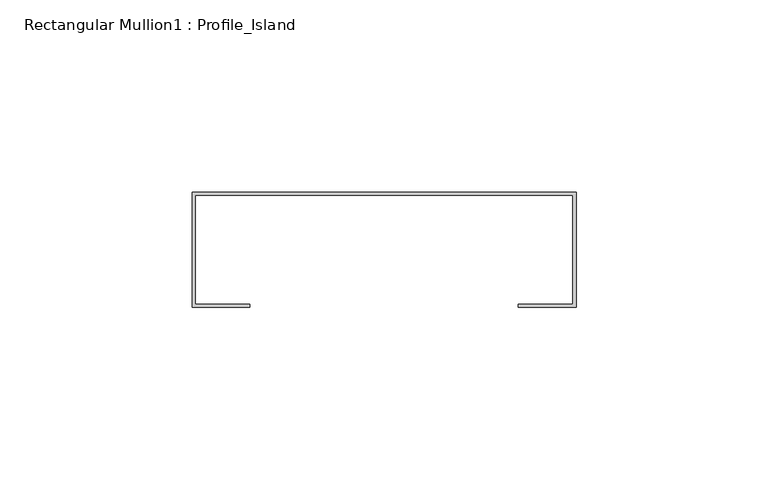
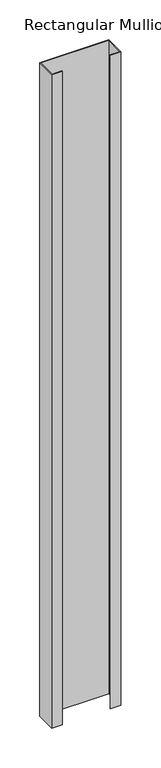
"""IFC4 building model written with IfcOpenShell, lengths in millimetres: member geometry, Rectangular Mullion1 : Profile_Island."""

from ifc_helpers import new_model, si_unit, frame, origin, place, context, project, spatial, polyline, outline, extrude, source, transform, mapped, element, save


def rectangular_mullion1_profile_island_74bc05d5(model_context):
    return source(origin(), model_context, "Body", "SweptSolid", [
        extrude(outline(polyline([(50.0, 32.0), (50.0, 2.0), (35.0, 2.0), (35.0, 2.8), (49.2, 2.8), (49.2, 31.2), (-49.2, 31.2), (-49.2, 2.8), (-35.0, 2.8), (-35.0, 2.0), (-50.0, 2.0), (-50.0, 32.0), (50.0, 32.0)])), frame((0.0, 0.0, -1000.8), z_axis=(0.0, 0.0, 1.0), x_axis=(1.0, 0.0, 0.0)), (0.0, 0.0, 1.0), 1000.8),
    ])


if __name__ == "__main__":
    model = new_model("IFC4")
    model_context = context("Model", 3, world=origin())
    ifc_project = project(units=[si_unit("LENGTHUNIT", "METRE", prefix="MILLI")], contexts=[model_context])
    site = spatial("IfcSite", under=ifc_project)
    building = spatial("IfcBuilding", under=site)
    placement = place(None, origin())
    rectangular_mullion1_profile_island_shape = rectangular_mullion1_profile_island_74bc05d5(model_context)
    element("IfcMember", 1, ObjectType="Rectangular Mullion1 : Profile_Island", at=placement, inside=building, context=model_context, shape_type="MappedRepresentation", body=[
        mapped(rectangular_mullion1_profile_island_shape, transform((0.0, 0.0, 0.0), x_axis=(1.0, 0.0, 0.0), y_axis=(0.0, 1.0, 0.0), z_axis=(0.0, 0.0, 1.0))),
    ])
    save(model, "model.ifc")
